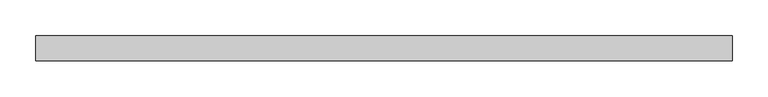
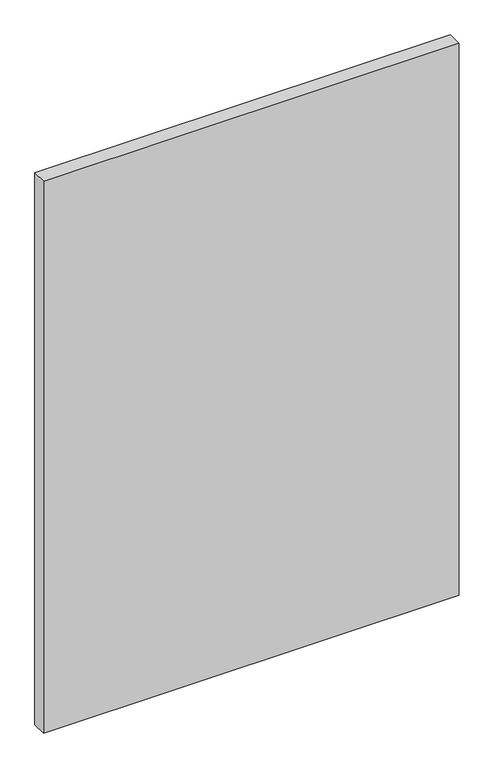
"""IFC4 building model written with IfcOpenShell, lengths in millimetres: plate geometry."""

import ifcopenshell
import ifcopenshell.guid

model = None  # the IFC model being written
_history = None  # IfcOwnerHistory: only IFC2X3 demands one
_inside = {}  # id of a spatial element -> (the spatial element, [elements in it])
_under = {}  # id of a project, library or spatial element -> (it, [spatial elements below it])
_declared = {}  # id of a project -> (the project, [libraries it declares])
_typed = {}  # id of a type object -> (the type object, [elements of that type])
_made_of = {}  # id of a material, layer set ... -> (it, [elements and type objects made of it])


def new_model(schema):
    """Start an empty IFC model of exactly this schema.

    Asked for "IFC4X3", IfcOpenShell would pick the latest addendum, in which some entities
    have other attributes; the version numbers below select the first issue.
    IFC2X3 requires an IfcOwnerHistory on every rooted entity: one is made here for all.
    """
    global model, _history
    if schema == "IFC4X3":
        model = ifcopenshell.file(schema_version=(4, 3, 0, 0))
    else:
        model = ifcopenshell.file(schema=schema)
    _inside.clear()
    _under.clear()
    _declared.clear()
    _typed.clear()
    _made_of.clear()
    _history = None
    if model.schema == "IFC2X3":
        org = make("IfcOrganization", Name="unknown")
        user = make(
            "IfcPersonAndOrganization",
            ThePerson=make("IfcPerson", FamilyName="unknown"),
            TheOrganization=org,
        )
        app = make(
            "IfcApplication",
            ApplicationDeveloper=org,
            Version="unknown",
            ApplicationFullName="unknown",
            ApplicationIdentifier="unknown",
        )
        _history = make(
            "IfcOwnerHistory",
            OwningUser=user,
            OwningApplication=app,
            ChangeAction="ADDED",
            CreationDate=0,
        )
    return model


def make(cls, **values):
    """One entity of the class cls with the attributes given. An attribute that is None is left unset."""
    return model.create_entity(
        cls, **{name: value for name, value in values.items() if value is not None}
    )


def rooted(cls, **values):
    """An entity with a GlobalId (a new one), such as an element, a storey or a relation."""
    return make(cls, GlobalId=ifcopenshell.guid.new(), OwnerHistory=_history, **values)


def si_unit(unit_type, name, prefix=None):
    """IfcSIUnit, for example si_unit("LENGTHUNIT", "METRE", prefix="MILLI")."""
    return make("IfcSIUnit", UnitType=unit_type, Prefix=prefix, Name=name)


def assignment(units):
    """IfcUnitAssignment: the units of a project."""
    return None if units is None else make("IfcUnitAssignment", Units=units)


def point(xyz):
    """IfcCartesianPoint."""
    return None if xyz is None else make("IfcCartesianPoint", Coordinates=xyz)


def direction(xyz):
    """IfcDirection."""
    return None if xyz is None else make("IfcDirection", DirectionRatios=xyz)


def frame(location, z_axis=None, x_axis=None):
    """IfcAxis2Placement3D, a coordinate frame: its origin and axes. An axis left out is left unset."""
    return make(
        "IfcAxis2Placement3D",
        Location=point(location),
        Axis=direction(z_axis),
        RefDirection=direction(x_axis),
    )


def origin():
    """The frame at (0, 0, 0) with its axes left unset."""
    return frame((0.0, 0.0, 0.0))


def origin_with_axes():
    """The frame at (0, 0, 0) with the z axis (0, 0, 1) and the x axis (1, 0, 0) written out."""
    return frame((0.0, 0.0, 0.0), z_axis=(0.0, 0.0, 1.0), x_axis=(1.0, 0.0, 0.0))


def place(relative_to, where):
    """IfcLocalPlacement: puts the frame where relative to a parent placement (None: the world)."""
    return make(
        "IfcLocalPlacement", PlacementRelTo=relative_to, RelativePlacement=where
    )


def context(
    kind, dimensions, precision=None, world=None, true_north=None, identifier=None
):
    """IfcGeometricRepresentationContext, for example the 3D "Model" context."""
    return make(
        "IfcGeometricRepresentationContext",
        ContextIdentifier=identifier,
        ContextType=kind,
        CoordinateSpaceDimension=dimensions,
        Precision=precision,
        WorldCoordinateSystem=world,
        TrueNorth=true_north,
    )


def project(units=None, contexts=None):
    """IfcProject with its units and contexts."""
    return rooted(
        "IfcProject",
        Name="project",
        RepresentationContexts=contexts,
        UnitsInContext=assignment(units),
    )


def spatial(cls, under=None, at=None, **own):
    """A site, building, storey or space (cls), placed at a placement, below another one or the project."""
    s = rooted(cls, ObjectPlacement=at, **own)
    if under is not None:
        _under.setdefault(under.id(), (under, []))[1].append(s)
    return s


def polyline(points):
    """IfcPolyline through the points."""
    return make("IfcPolyline", Points=[point(p) for p in points])


def outline(outer, holes=None, kind="AREA"):
    """IfcArbitraryClosedProfileDef: a profile drawn as a closed curve; with holes, ...WithVoids."""
    if holes is None:
        return make("IfcArbitraryClosedProfileDef", ProfileType=kind, OuterCurve=outer)
    return make(
        "IfcArbitraryProfileDefWithVoids",
        ProfileType=kind,
        OuterCurve=outer,
        InnerCurves=holes,
    )


def extrude(swept, where, along, depth):
    """IfcExtrudedAreaSolid: the profile swept, set in the frame where, extruded along a direction by depth."""
    return make(
        "IfcExtrudedAreaSolid",
        SweptArea=swept,
        Position=where,
        ExtrudedDirection=direction(along),
        Depth=depth,
    )


def shape(context_of_items, identifier, shape_type, items):
    """IfcShapeRepresentation: the items that make up one representation, for example the "Body"."""
    return make(
        "IfcShapeRepresentation",
        ContextOfItems=context_of_items,
        RepresentationIdentifier=identifier,
        RepresentationType=shape_type,
        Items=items,
    )


def source(mapping_origin, context_of_items, identifier, shape_type, items):
    """IfcRepresentationMap: a shape defined once, which mapped items show again and again."""
    return make(
        "IfcRepresentationMap",
        MappingOrigin=mapping_origin,
        MappedRepresentation=shape(context_of_items, identifier, shape_type, items),
    )


def transform(
    local_origin,
    x_axis=None,
    y_axis=None,
    z_axis=None,
    scale=None,
    scale2=None,
    scale3=None,
    uniform=True,
):
    """IfcCartesianTransformationOperator3D, or its non-uniform kind. x_axis, y_axis, z_axis: its Axis1, 2, 3."""
    if uniform:
        return make(
            "IfcCartesianTransformationOperator3D",
            Axis1=direction(x_axis),
            Axis2=direction(y_axis),
            LocalOrigin=point(local_origin),
            Scale=scale,
            Axis3=direction(z_axis),
        )
    return make(
        "IfcCartesianTransformationOperator3DnonUniform",
        Axis1=direction(x_axis),
        Axis2=direction(y_axis),
        LocalOrigin=point(local_origin),
        Scale=scale,
        Axis3=direction(z_axis),
        Scale2=scale2,
        Scale3=scale3,
    )


def mapped(mapping_source, mapping_target):
    """IfcMappedItem: shows the shape of a source again, moved by a transform."""
    return make(
        "IfcMappedItem", MappingSource=mapping_source, MappingTarget=mapping_target
    )


def made_of(thing, what):
    """Note that an element or type object is made of a material, layer set ...; save() writes the relation."""
    if what is not None:
        _made_of.setdefault(what.id(), (what, []))[1].append(thing)
    return thing


def element(
    cls,
    number,
    at=None,
    inside=None,
    cuts=None,
    type_object=None,
    material=None,
    context=None,
    identifier="Body",
    shape_type=None,
    held_by="IfcProductDefinitionShape",
    body=None,
    shapes=None,
    **own,
):
    """One element of the class cls, such as IfcWall. Its Tag is "e" and its number.

    at: its placement. inside: the storey or other place that contains it. cuts: it is an
    opening in that element (IfcRelVoidsElement). A single representation is given by context,
    identifier, shape_type and body (its items); several are given by shapes. held_by: the class
    of the entity that holds the representations. save() writes the other relations.
    """
    e = rooted(cls, Tag="e%d" % number, ObjectPlacement=at, **own)
    if body is not None:
        shapes = [shape(context, identifier, shape_type, body)]
    if shapes is not None:
        e.Representation = make(held_by, Representations=shapes)
    if inside is not None:
        _inside.setdefault(inside.id(), (inside, []))[1].append(e)
    if cuts is not None:
        rooted(
            "IfcRelVoidsElement", RelatingBuildingElement=cuts, RelatedOpeningElement=e
        )
    if type_object is not None:
        _typed.setdefault(type_object.id(), (type_object, []))[1].append(e)
    return made_of(e, material)


def aggregate(whole, parts):
    """IfcRelAggregates: a whole, such as a stair, and the parts it consists of."""
    return rooted("IfcRelAggregates", RelatingObject=whole, RelatedObjects=parts)


def save(model, path):
    """Write the relations noted so far, then the file.

    IfcRelAggregates (storeys below a building ...), IfcRelContainedInSpatialStructure (elements
    in a storey), IfcRelDefinesByType, IfcRelAssociatesMaterial and IfcRelDeclares: one each for
    every whole, place, type object, material and project.
    """
    for whole, parts in _under.values():
        aggregate(whole, parts)
    for where, things in _inside.values():
        rooted(
            "IfcRelContainedInSpatialStructure",
            RelatedElements=things,
            RelatingStructure=where,
        )
    for kind, things in _typed.values():
        rooted("IfcRelDefinesByType", RelatedObjects=things, RelatingType=kind)
    for what, things in _made_of.values():
        rooted("IfcRelAssociatesMaterial", RelatedObjects=things, RelatingMaterial=what)
    for by, libraries in _declared.values():
        rooted("IfcRelDeclares", RelatingContext=by, RelatedDefinitions=libraries)
    model.write(path)


def plate_4d568373(model_context):
    return source(origin(), model_context, "Body", "SweptSolid", [
        extrude(outline(polyline([(488.0982143, -17.5), (-488.0982143, -17.5), (-488.0982143, 17.5), (488.0982143, 17.5), (488.0982143, -17.5)])), origin_with_axes(), (0.0, 0.0, 1.0), 1370.0),
    ])


if __name__ == "__main__":
    model = new_model("IFC4")
    model_context = context("Model", 3, world=origin())
    ifc_project = project(units=[si_unit("LENGTHUNIT", "METRE", prefix="MILLI")], contexts=[model_context])
    site = spatial("IfcSite", under=ifc_project)
    building = spatial("IfcBuilding", under=site)
    placement = place(None, origin())
    plate_shape = plate_4d568373(model_context)
    element("IfcPlate", 1, at=placement, inside=building, context=model_context, shape_type="MappedRepresentation", body=[
        mapped(plate_shape, transform((0.0, 0.0, 0.0), x_axis=(1.0, 0.0, 0.0), y_axis=(0.0, 1.0, 0.0), z_axis=(0.0, 0.0, 1.0))),
    ])
    save(model, "model.ifc")
